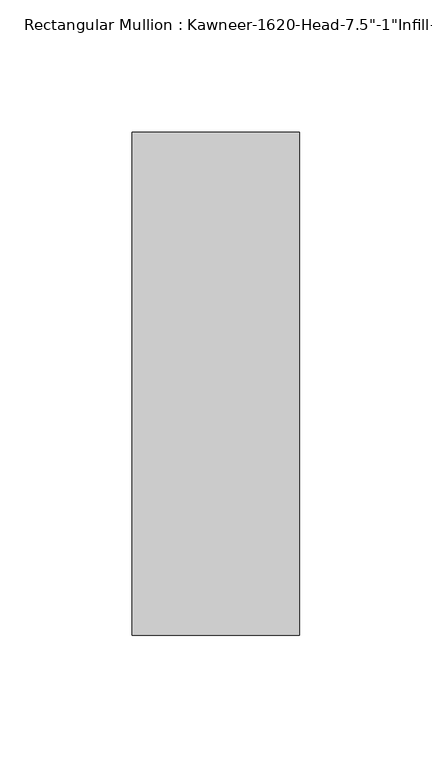
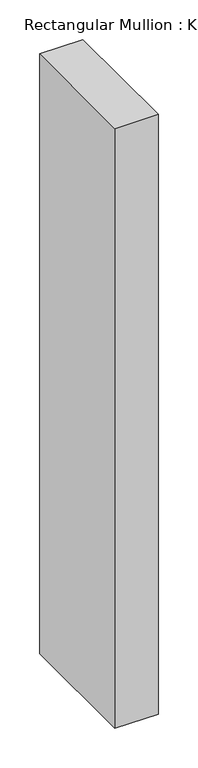
"""IFC4 building model written with IfcOpenShell, lengths in millimetres: member geometry."""

from ifc_helpers import new_model, si_unit, frame, origin, place, context, project, spatial, polyline, outline, extrude, source, transform, mapped, element, save


def member_50fb7538(model_context):
    return source(origin(), model_context, "Body", "SweptSolid", [
        extrude(outline(polyline([(-22.225, 38.1), (41.275, 38.1), (41.275, -152.4), (-22.225, -152.4), (-22.225, 38.1)])), frame((0.0, 0.0, -926.2317631), z_axis=(0.0, 0.0, 1.0), x_axis=(1.0, 0.0, 0.0)), (0.0, 0.0, 1.0), 926.2317631),
    ])


if __name__ == "__main__":
    model = new_model("IFC4")
    model_context = context("Model", 3, world=origin())
    ifc_project = project(units=[si_unit("LENGTHUNIT", "METRE", prefix="MILLI")], contexts=[model_context])
    site = spatial("IfcSite", under=ifc_project)
    building = spatial("IfcBuilding", under=site)
    placement = place(None, origin())
    member_shape = member_50fb7538(model_context)
    element("IfcMember", 1, ObjectType="Rectangular Mullion : Kawneer-1620-Head-7.5\"-1\"Infill-1A", at=placement, inside=building, context=model_context, shape_type="MappedRepresentation", body=[
        mapped(member_shape, transform((0.0, 0.0, 0.0), x_axis=(1.0, 0.0, 0.0), y_axis=(0.0, 1.0, 0.0), z_axis=(0.0, 0.0, 1.0))),
    ])
    save(model, "model.ifc")
